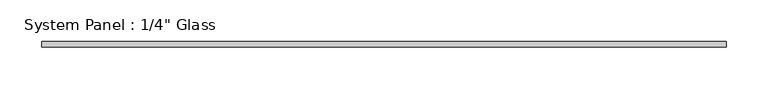
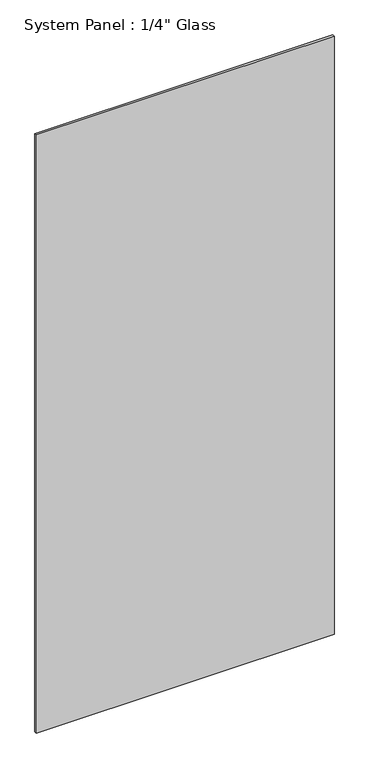
"""IFC4 building model written with IfcOpenShell, lengths in millimetres: plate geometry."""

from ifc_helpers import new_model, si_unit, origin, origin_with_axes, place, context, project, spatial, polyline, outline, extrude, source, transform, mapped, element, save


def plate_b8767b09(model_context):
    return source(origin(), model_context, "Body", "SweptSolid", [
        extrude(outline(polyline([(409.575, -3.175), (-409.575, -3.175), (-409.575, 3.175), (409.575, 3.175), (409.575, -3.175)])), origin_with_axes(), (0.0, 0.0, 1.0), 1739.9),
    ])


if __name__ == "__main__":
    model = new_model("IFC4")
    model_context = context("Model", 3, world=origin())
    ifc_project = project(units=[si_unit("LENGTHUNIT", "METRE", prefix="MILLI")], contexts=[model_context])
    site = spatial("IfcSite", under=ifc_project)
    building = spatial("IfcBuilding", under=site)
    placement = place(None, origin())
    plate_shape = plate_b8767b09(model_context)
    element("IfcPlate", 1, ObjectType="System Panel : 1/4\" Glass", at=placement, inside=building, context=model_context, shape_type="MappedRepresentation", body=[
        mapped(plate_shape, transform((0.0, 0.0, 0.0), x_axis=(1.0, 0.0, 0.0), y_axis=(0.0, 1.0, 0.0), z_axis=(0.0, 0.0, 1.0))),
    ])
    save(model, "model.ifc")
